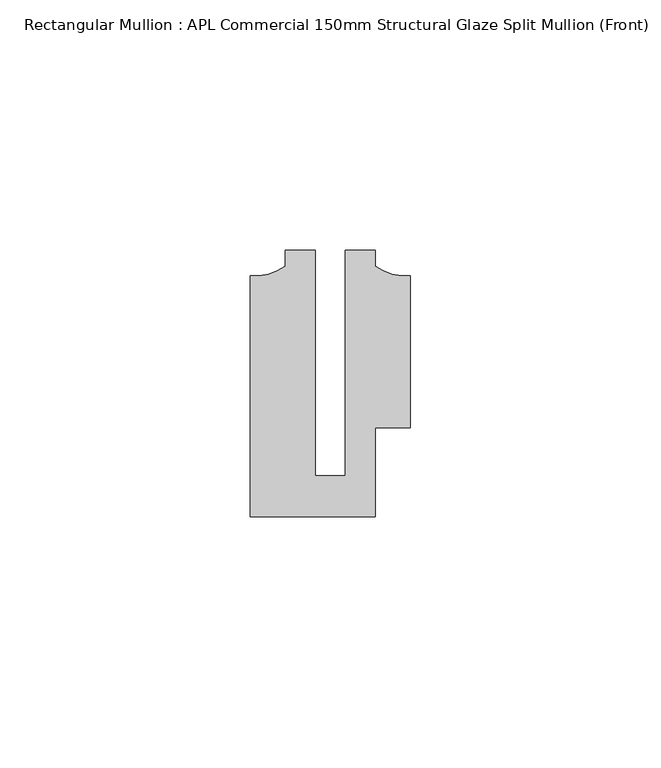
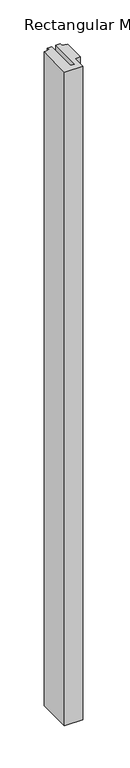
"""IFC4 building model written with IfcOpenShell, lengths in millimetres: member geometry, Rectangular Mullion : APL Commercial 150mm Structural Glaze Split Mullion (Front)."""

from ifc_helpers import new_model, si_unit, point, frame, frame_2d, origin, place, context, project, spatial, polyline, circle_curve, trimmed, segment, composite_curve, outline, extrude, source, transform, mapped, element, save


def rectangular_mullion_apl_commercial_150mm_structural_glaze_2494faef(model_context):
    return source(origin(), model_context, "Body", "SweptSolid", [
        extrude(outline(composite_curve([segment(polyline([(15.9999391, -14.9953356), (9.0, -14.9953356), (9.0, -32.7960123), (-15.9999391, -32.7960123), (-15.9999391, 15.3837352)]), True, "CONTINUOUS"), segment(trimmed(circle_curve(frame_2d((-15.1098019, 25.802169)), 10.4563907), [point((-15.9999391, 15.3837352))], [point((-8.9999842, 17.3165203))], True, "CARTESIAN"), True, "CONTINUOUS"), segment(polyline([(-8.9999842, 17.3165203), (-8.9999842, 20.5039877), (-2.9999659, 20.5039877), (-2.9999659, -24.5130805), (2.9999676, -24.5130805), (2.9999676, 20.5039877), (8.9999842, 20.5039877), (8.9999842, 17.3165203)]), True, "CONTINUOUS"), segment(trimmed(circle_curve(frame_2d((15.1098019, 25.802169)), 10.4563907), [point((8.9999842, 17.3165203))], [point((15.9999391, 15.3837352))], True, "CARTESIAN"), True, "CONTINUOUS"), segment(polyline([(15.9999391, 15.3837352), (15.9999391, -14.9953356)]), True, "CONTINUOUS")], self_intersect=False)), frame((0.0, 0.0, -948.6621343), z_axis=(0.0, 0.0, 1.0), x_axis=(1.0, 0.0, 0.0)), (0.0, 0.0, 1.0), 948.6621343),
    ])


if __name__ == "__main__":
    model = new_model("IFC4")
    model_context = context("Model", 3, world=origin())
    ifc_project = project(units=[si_unit("LENGTHUNIT", "METRE", prefix="MILLI")], contexts=[model_context])
    site = spatial("IfcSite", under=ifc_project)
    building = spatial("IfcBuilding", under=site)
    placement = place(None, origin())
    rectangular_mullion_apl_commercial_150mm_structural_glaze_shape = rectangular_mullion_apl_commercial_150mm_structural_glaze_2494faef(model_context)
    element("IfcMember", 1, ObjectType="Rectangular Mullion : APL Commercial 150mm Structural Glaze Split Mullion (Front)", at=placement, inside=building, context=model_context, shape_type="MappedRepresentation", body=[
        mapped(rectangular_mullion_apl_commercial_150mm_structural_glaze_shape, transform((0.0, 0.0, 0.0), x_axis=(1.0, 0.0, 0.0), y_axis=(0.0, 1.0, 0.0), z_axis=(0.0, 0.0, 1.0))),
    ])
    save(model, "model.ifc")
